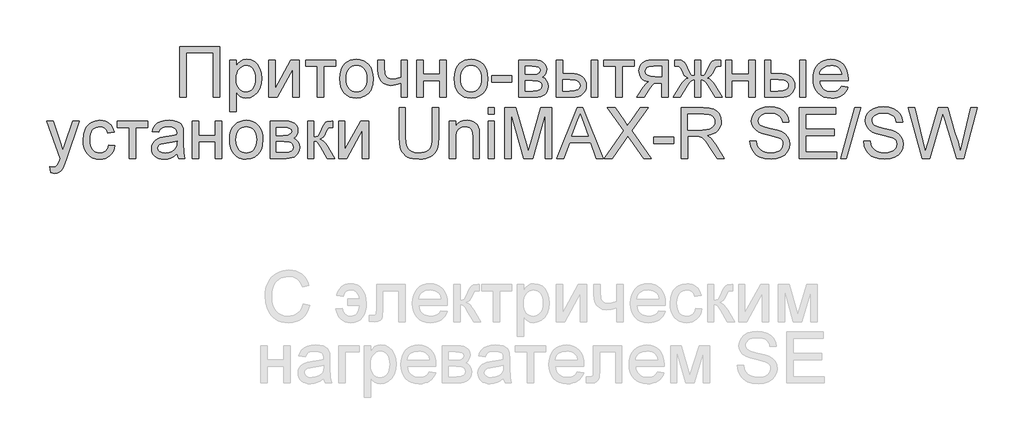
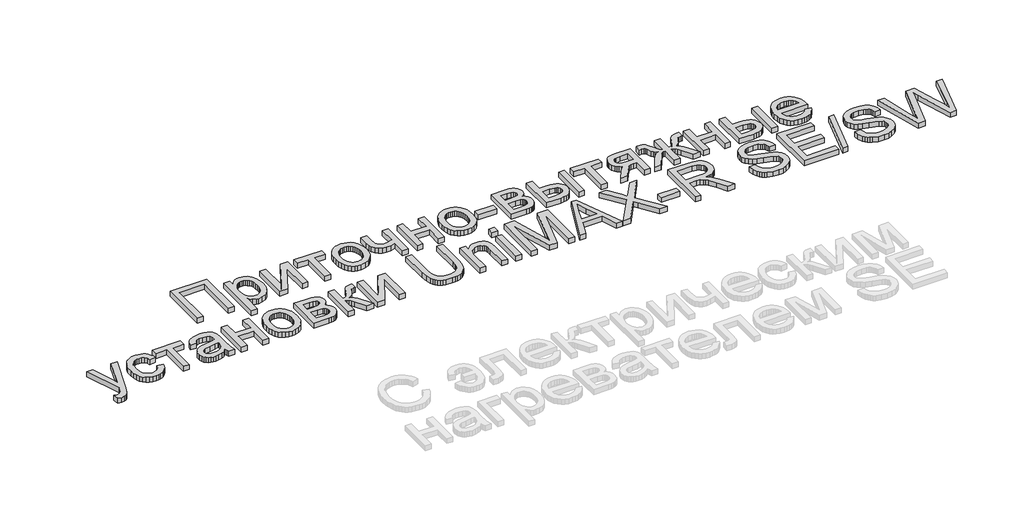
# One storey, part 54 of 74: 1 proxy.
"""IFC4 building model written with IfcOpenShell, lengths in millimetres."""

from ifc_helpers import new_model, si_unit, origin, origin_with_axes, place, context, project, spatial, polyline, outline, extrude, element, save

model = new_model("IFC4")

# Units and contexts
model_context = context("Model", 3, world=origin())
ifc_project = project(units=[si_unit("LENGTHUNIT", "METRE", prefix="MILLI")], contexts=[model_context])

# Site, building, storey
site = spatial("IfcSite", under=ifc_project)
building = spatial("IfcBuilding", under=site)
storey = spatial("IfcBuildingStorey", under=building, Elevation=0.0)

# Proxy
placement = place(None, origin())
element("IfcBuildingElementProxy", 1, Name="Generic Models", at=placement, inside=storey, context=model_context, shape_type="SweptSolid", body=[
    extrude(outline(polyline([(56366.2956204, -23404.5029647), (56717.589482, -23404.5029647), (56717.589482, -23854.1591075), (56661.3824642, -23854.1591075), (56661.3824642, -23460.7099826), (56422.5026383, -23460.7099826), (56422.5026383, -23854.1591075), (56366.2956204, -23854.1591075), (56366.2956204, -23404.5029647)])), origin_with_axes(), (0.0, 0.0, 1.0), 50.0),
    extrude(outline(polyline([(56808.925886, -23980.6248977), (56808.925886, -23523.9428777), (56865.1329039, -23523.9428777), (56865.1329039, -23579.0521022), (56883.4660523, -23551.8679952), (56903.9947873, -23532.4507759), (56927.9266816, -23520.8004443), (56956.4693079, -23516.9170004), (56994.4804015, -23522.3510774), (57027.7160942, -23538.6533081), (57054.7766995, -23564.8356787), (57074.2625308, -23599.9101752), (57086.0363642, -23641.3244281), (57089.9609753, -23686.526068), (57085.5286348, -23734.5956929), (57072.2316132, -23777.5880237), (57050.4953055, -23813.3211961), (57020.7451066, -23839.6133461), (56986.096005, -23855.7920751), (56949.6629893, -23861.1849848), (56923.8236791, -23857.5759892), (56900.756297, -23846.7490027), (56881.0097397, -23830.4056046), (56865.1329039, -23810.2473749), (56865.1329039, -23980.6248977), (56808.925886, -23980.6248977)]), holes=[polyline([(56865.1329039, -23691.6856966), (56866.6526615, -23718.7737467), (56871.2119344, -23742.0744098), (56878.8107225, -23761.5876861), (56889.4490259, -23777.3135753), (56902.255471, -23789.4167467), (56916.3586845, -23798.061869), (56931.7586664, -23803.2489425), (56948.4554167, -23804.9779669), (56965.3923092, -23803.1871916), (56981.0736006, -23797.8148655), (56995.4992909, -23788.8609888), (57008.6693801, -23776.3255613), (57019.6438827, -23760.0301918), (57027.4828131, -23739.7964887), (57032.1861713, -23715.6244521), (57033.7539574, -23687.514082), (57032.223908, -23660.6593129), (57027.6337597, -23637.399817), (57019.9835125, -23617.7355942), (57009.2731664, -23601.6666445), (56996.4358458, -23589.1792456), (56982.404675, -23580.2596749), (56967.1796539, -23574.9079324), (56950.7607826, -23573.1240183), (56934.3933704, -23575.0211424), (56918.9933885, -23580.7125146), (56904.560837, -23590.198135), (56891.0957158, -23603.4780035), (56879.7369856, -23620.3737288), (56871.6236069, -23640.7069194), (56866.7555796, -23664.4775753), (56865.1329039, -23691.6856966)])]), origin_with_axes(), (0.0, 0.0, 1.0), 50.0),
    extrude(outline(polyline([(57153.1938704, -23523.9428777), (57209.4008882, -23523.9428777), (57209.4008882, -23775.7766647), (57347.5032875, -23523.9428777), (57420.1772052, -23523.9428777), (57420.1772052, -23854.1591075), (57363.9701873, -23854.1591075), (57363.9701873, -23603.8622312), (57226.7460226, -23854.1591075), (57153.1938704, -23854.1591075), (57153.1938704, -23523.9428777)])), origin_with_axes(), (0.0, 0.0, 1.0), 50.0),
    extrude(outline(polyline([(57476.384223, -23523.9428777), (57743.3675578, -23523.9428777), (57743.3675578, -23580.1498955), (57637.9793993, -23580.1498955), (57637.9793993, -23854.1591075), (57581.7723815, -23854.1591075), (57581.7723815, -23580.1498955), (57476.384223, -23580.1498955), (57476.384223, -23523.9428777)])), origin_with_axes(), (0.0, 0.0, 1.0), 50.0),
    extrude(outline(polyline([(57778.496944, -23689.0509926), (57781.5364592, -23646.2850817), (57790.655005, -23609.4335323), (57805.8525812, -23578.4963443), (57827.1291879, -23553.4735179), (57848.54988, -23537.4800415), (57872.1936036, -23526.0561298), (57898.0603587, -23519.2017828), (57926.1501452, -23516.9170004), (57957.1593758, -23519.6992204), (57985.1977032, -23528.0458802), (58010.2651275, -23541.9569799), (58032.3616486, -23561.4325195), (58050.3963345, -23585.8138229), (58063.2782529, -23614.4422143), (58071.007404, -23647.3176935), (58073.5837877, -23684.4402607), (58069.0279454, -23741.22362), (58063.3331426, -23764.5311444), (58055.3604186, -23784.4492319), (58032.9791574, -23816.8204123), (58002.2821117, -23841.0404774), (57965.8216512, -23856.1488579), (57926.1501452, -23861.1849848), (57894.6880748, -23858.4130567), (57866.3890214, -23850.0972723), (57841.2529851, -23836.2376316), (57819.2799657, -23816.8341348), (57801.4373937, -23792.2161196), (57788.6926994, -23762.7129242), (57781.0458828, -23728.3245485), (57778.496944, -23689.0509926)]), holes=[polyline([(57834.7039618, -23688.9412133), (57836.3300682, -23716.2042242), (57841.2083872, -23739.8102111), (57849.338919, -23759.7591741), (57860.7216634, -23776.051113), (57874.5675817, -23788.7066116), (57890.0876347, -23797.7462534), (57907.2818225, -23803.1700386), (57926.1501452, -23804.9779669), (57944.9224109, -23803.1597467), (57962.0479866, -23797.7050862), (57977.5268724, -23788.6139853), (57991.3590682, -23775.886444), (58002.7418127, -23759.4332667), (58010.8723444, -23739.1652575), (58015.7506635, -23715.0824166), (58017.3767698, -23687.184744), (58015.7403717, -23660.7862453), (58010.8311772, -23637.7977671), (58002.6491864, -23618.2193094), (57991.1943992, -23602.0508722), (57977.3107444, -23589.3953736), (57961.8421504, -23580.3557318), (57944.7886173, -23574.9319467), (57926.1501452, -23573.1240183), (57907.2818225, -23574.9250854), (57890.0876347, -23580.3282869), (57874.5675817, -23589.3336227), (57860.7216634, -23601.9410929), (57849.338919, -23618.1850034), (57841.2083872, -23638.0996603), (57836.3300682, -23661.6850636), (57834.7039618, -23688.9412133)])]), origin_with_axes(), (0.0, 0.0, 1.0), 50.0),
    extrude(outline(polyline([(58115.7390511, -23523.9428777), (58171.9460689, -23523.9428777), (58171.9460689, -23587.2855521), (58176.5019112, -23646.6761706), (58184.2550765, -23663.9389705), (58198.4028879, -23678.8415148), (58217.9436089, -23689.1333271), (58241.8755033, -23692.5639312), (58276.2638789, -23688.3099821), (58319.4894908, -23675.5481348), (58319.4894908, -23523.9428777), (58375.6965086, -23523.9428777), (58375.6965086, -23854.1591075), (58319.4894908, -23854.1591075), (58319.4894908, -23729.4497867), (58271.5159228, -23743.9406585), (58226.8357348, -23748.7709491), (58192.8453092, -23743.7348222), (58163.1088327, -23728.6264417), (58139.9316713, -23706.2177356), (58125.6191909, -23679.2806321), (58118.209086, -23648.6247537), (58115.7390511, -23615.059723), (58115.7390511, -23523.9428777)])), origin_with_axes(), (0.0, 0.0, 1.0), 50.0),
    extrude(outline(polyline([(58460.0070354, -23523.9428777), (58516.2140533, -23523.9428777), (58516.2140533, -23650.4086678), (58663.7574751, -23650.4086678), (58663.7574751, -23523.9428777), (58719.964493, -23523.9428777), (58719.964493, -23854.1591075), (58663.7574751, -23854.1591075), (58663.7574751, -23706.6156857), (58516.2140533, -23706.6156857), (58516.2140533, -23854.1591075), (58460.0070354, -23854.1591075), (58460.0070354, -23523.9428777)])), origin_with_axes(), (0.0, 0.0, 1.0), 50.0),
    extrude(outline(polyline([(58790.2232653, -23689.0509926), (58793.2627806, -23646.2850817), (58802.3813263, -23609.4335323), (58817.5789025, -23578.4963443), (58838.8555093, -23553.4735179), (58860.2762014, -23537.4800415), (58883.9199249, -23526.0561298), (58909.78668, -23519.2017828), (58937.8764665, -23516.9170004), (58968.8856971, -23519.6992204), (58996.9240246, -23528.0458802), (59021.9914488, -23541.9569799), (59044.08797, -23561.4325195), (59062.1226558, -23585.8138229), (59075.0045743, -23614.4422143), (59082.7337253, -23647.3176935), (59085.310109, -23684.4402607), (59080.7542668, -23741.22362), (59075.0594639, -23764.5311444), (59067.08674, -23784.4492319), (59044.7054787, -23816.8204123), (59014.0084331, -23841.0404774), (58977.5479725, -23856.1488579), (58937.8764665, -23861.1849848), (58906.4143961, -23858.4130567), (58878.1153428, -23850.0972723), (58852.9793064, -23836.2376316), (58831.006287, -23816.8341348), (58813.163715, -23792.2161196), (58800.4190207, -23762.7129242), (58792.7722042, -23728.3245485), (58790.2232653, -23689.0509926)]), holes=[polyline([(58846.4302832, -23688.9412133), (58848.0563895, -23716.2042242), (58852.9347086, -23739.8102111), (58861.0652403, -23759.7591741), (58872.4479848, -23776.051113), (58886.293903, -23788.7066116), (58901.813956, -23797.7462534), (58919.0081439, -23803.1700386), (58937.8764665, -23804.9779669), (58956.6487322, -23803.1597467), (58973.774308, -23797.7050862), (58989.2531938, -23788.6139853), (59003.0853896, -23775.886444), (59014.468134, -23759.4332667), (59022.5986658, -23739.1652575), (59027.4769848, -23715.0824166), (59029.1030912, -23687.184744), (59027.466693, -23660.7862453), (59022.5574985, -23637.7977671), (59014.3755077, -23618.2193094), (59002.9207206, -23602.0508722), (58989.0370657, -23589.3953736), (58973.5684717, -23580.3557318), (58956.5149387, -23574.9319467), (58937.8764665, -23573.1240183), (58919.0081439, -23574.9250854), (58901.813956, -23580.3282869), (58886.293903, -23589.3336227), (58872.4479848, -23601.9410929), (58861.0652403, -23618.1850034), (58852.9347086, -23638.0996603), (58848.0563895, -23661.6850636), (58846.4302832, -23688.9412133)])]), origin_with_axes(), (0.0, 0.0, 1.0), 50.0),
    extrude(outline(polyline([(59120.4394952, -23720.6674401), (59120.4394952, -23664.4604223), (59296.086426, -23664.4604223), (59296.086426, -23720.6674401), (59120.4394952, -23720.6674401)])), origin_with_axes(), (0.0, 0.0, 1.0), 50.0),
    extrude(outline(polyline([(59359.3193211, -23523.9428777), (59483.1504073, -23523.9428777), (59522.9591374, -23525.8228487), (59551.0489239, -23531.4627619), (59571.7148831, -23542.1113571), (59589.2521314, -23559.0173742), (59601.231801, -23581.0418526), (59605.2250242, -23607.0458318), (59602.8098789, -23627.9999617), (59595.564443, -23646.0723842), (59583.4612716, -23661.3454338), (59566.4729201, -23673.9014448), (59587.2761034, -23685.5792212), (59604.2370102, -23704.3652094), (59615.5168365, -23728.7773883), (59619.2767786, -23757.333737), (59616.1549289, -23780.3393682), (59609.7534216, -23800.1751212), (59600.0722568, -23816.840996), (59587.1114344, -23830.3369926), (59570.8503709, -23840.7591679), (59551.2684826, -23848.2035788), (59528.3657695, -23852.6702254), (59502.1422317, -23854.1591075), (59359.3193211, -23854.1591075), (59359.3193211, -23523.9428777)]), holes=[polyline([(59415.5263389, -23797.9520897), (59484.4677592, -23797.9520897), (59522.0397355, -23795.4134426), (59545.614847, -23787.7975015), (59558.266915, -23773.9515833), (59563.0697608, -23752.723005), (59560.6683379, -23738.6575281), (59553.4640692, -23725.6623997), (59542.4038016, -23715.4940891), (59528.4343816, -23709.9090656), (59478.9787927, -23706.6156857), (59415.5263389, -23706.6156857), (59415.5263389, -23797.9520897)]), polyline([(59415.5263389, -23650.4086678), (59471.0746808, -23650.4086678), (59516.9075518, -23647.5544052), (59539.1927561, -23636.1373547), (59546.5616938, -23626.6963322), (59549.0180063, -23615.4988403), (59544.7091675, -23598.7300474), (59531.7826512, -23587.9442281), (59508.4270984, -23582.0984787), (59472.8311501, -23580.1498955), (59415.5263389, -23580.1498955), (59415.5263389, -23650.4086678)])]), origin_with_axes(), (0.0, 0.0, 1.0), 50.0),
    extrude(outline(polyline([(59998.6741491, -23523.9428777), (60054.881167, -23523.9428777), (60054.881167, -23854.1591075), (59998.6741491, -23854.1591075), (59998.6741491, -23523.9428777)])), origin_with_axes(), (0.0, 0.0, 1.0), 50.0),
    extrude(outline(polyline([(59689.5355509, -23523.9428777), (59745.7425688, -23523.9428777), (59745.7425688, -23643.3827906), (59815.2328858, -23643.3827906), (59847.2095468, -23645.1426905), (59875.2959027, -23650.4223903), (59899.4919535, -23659.2218898), (59919.7976993, -23671.5411892), (59935.8632184, -23686.9548935), (59947.3385891, -23705.0376078), (59954.2238116, -23725.7893321), (59956.5188857, -23749.2100664), (59954.5943168, -23770.1058761), (59948.8206101, -23789.4304691), (59939.1977656, -23807.1838454), (59925.7257832, -23823.366005), (59908.0272965, -23836.8379874), (59885.7249392, -23846.4608319), (59858.8187111, -23852.2345386), (59827.3086123, -23854.1591075), (59689.5355509, -23854.1591075), (59689.5355509, -23523.9428777)]), holes=[polyline([(59745.7425688, -23797.9520897), (59803.4864973, -23797.9520897), (59848.2490198, -23795.0017702), (59878.0266635, -23786.1508115), (59894.7405668, -23771.042431), (59900.3118679, -23749.3198457), (59896.1814205, -23730.9592525), (59883.7900785, -23714.7393562), (59873.0351346, -23708.1114291), (59857.2920923, -23703.3771954), (59810.8417125, -23699.5898085), (59745.7425688, -23699.5898085), (59745.7425688, -23797.9520897)])]), origin_with_axes(), (0.0, 0.0, 1.0), 50.0),
    extrude(outline(polyline([(60111.0881848, -23523.9428777), (60378.0715196, -23523.9428777), (60378.0715196, -23580.1498955), (60272.6833612, -23580.1498955), (60272.6833612, -23854.1591075), (60216.4763433, -23854.1591075), (60216.4763433, -23580.1498955), (60111.0881848, -23580.1498955), (60111.0881848, -23523.9428777)])), origin_with_axes(), (0.0, 0.0, 1.0), 50.0),
    extrude(outline(polyline([(60680.1842406, -23523.9428777), (60680.1842406, -23854.1591075), (60623.9772227, -23854.1591075), (60623.9772227, -23727.6933174), (60593.3487892, -23727.6933174), (60568.9228879, -23729.4772315), (60551.6326431, -23734.8289739), (60534.9736295, -23750.3901942), (60512.4414217, -23782.8025419), (60467.6514543, -23854.1591075), (60402.6620899, -23854.1591075), (60459.0886665, -23763.9204969), (60484.0085748, -23731.535594), (60495.7275184, -23722.0945715), (60506.9524551, -23717.1545015), (60486.3139407, -23712.5917981), (60468.529689, -23705.3806682), (60453.5996999, -23695.521112), (60441.5239734, -23683.0131294), (60425.5510806, -23653.2629305), (60420.226783, -23619.341117), (60422.0450032, -23599.1005527), (60427.4996637, -23580.8634612), (60436.5907647, -23564.6298425), (60449.3183059, -23550.3996966), (60465.4901737, -23538.8248383), (60484.9142542, -23530.5570824), (60507.5905475, -23525.5964289), (60533.5190534, -23523.9428777), (60680.1842406, -23523.9428777)]), holes=[polyline([(60623.9772227, -23580.1498955), (60549.8761738, -23580.1498955), (60511.6043543, -23583.4021082), (60498.6744074, -23587.4673741), (60489.881769, -23593.1587463), (60479.7957929, -23607.2791129), (60476.4338009, -23623.6225109), (60481.3875932, -23645.043203), (60496.2489703, -23659.90458), (60523.7075256, -23668.5908697), (60566.4528529, -23671.4862995), (60623.9772227, -23671.4862995), (60623.9772227, -23580.1498955)])]), origin_with_axes(), (0.0, 0.0, 1.0), 50.0),
    extrude(outline(polyline([(60968.2452071, -23523.9428777), (60968.2452071, -23664.4604223), (60988.0740989, -23661.5649924), (61001.0143376, -23652.8787028), (61032.0269988, -23592.7745187), (61051.375606, -23555.3123217), (61069.0226336, -23535.1403695), (61090.4570481, -23526.7422506), (61121.6069335, -23523.9428777), (61143.8921379, -23523.9428777), (61143.8921379, -23580.4792335), (61128.4132521, -23580.1498955), (61109.860545, -23581.6044717), (61099.4315085, -23585.9682001), (61079.3418908, -23622.4149382), (61067.1975522, -23646.8408396), (61056.0137828, -23662.374615), (61042.3325336, -23672.9957653), (61022.6957556, -23682.6837914), (61041.1867118, -23690.5947645), (61059.4443869, -23704.5573232), (61077.468781, -23724.5714676), (61095.2598939, -23750.6371977), (61157.9438923, -23854.1591075), (61093.5034246, -23854.1591075), (61031.8074402, -23752.064329), (61014.9425903, -23725.2644497), (61000.3556616, -23709.6346173), (60985.6040639, -23702.1010107), (60968.2452071, -23699.5898085), (60968.2452071, -23854.1591075), (60912.0381892, -23854.1591075), (60912.0381892, -23699.5898085), (60894.8165566, -23702.046121), (60880.037514, -23709.4150586), (60865.340806, -23724.9351117), (60848.3661768, -23751.8447704), (60786.6701924, -23854.1591075), (60722.339504, -23854.1591075), (60784.8039437, -23750.6371977), (60802.7460033, -23724.5714676), (60820.893899, -23704.5573232), (60839.2476311, -23690.5947645), (60857.8071993, -23682.6837914), (60836.34534, -23671.9254169), (60822.4582545, -23660.2888077), (60809.8336314, -23639.8424072), (60792.159159, -23602.6546585), (60784.9960576, -23590.2770389), (60777.3389492, -23583.6628341), (60753.0777169, -23579.8205575), (60736.3912584, -23580.1498955), (60736.3912584, -23523.9428777), (60744.844267, -23523.9428777), (60794.1351869, -23527.4558163), (60807.6654896, -23532.9447829), (60819.7137712, -23542.3858054), (60832.5305082, -23560.691509), (60848.3661768, -23592.7745187), (60879.0495, -23652.4944751), (60891.9897388, -23661.4689355), (60912.0381892, -23664.4604223), (60912.0381892, -23523.9428777), (60968.2452071, -23523.9428777)])), origin_with_axes(), (0.0, 0.0, 1.0), 50.0),
    extrude(outline(polyline([(61186.0474013, -23523.9428777), (61242.2544191, -23523.9428777), (61242.2544191, -23650.4086678), (61389.797841, -23650.4086678), (61389.797841, -23523.9428777), (61446.0048588, -23523.9428777), (61446.0048588, -23854.1591075), (61389.797841, -23854.1591075), (61389.797841, -23706.6156857), (61242.2544191, -23706.6156857), (61242.2544191, -23854.1591075), (61186.0474013, -23854.1591075), (61186.0474013, -23523.9428777)])), origin_with_axes(), (0.0, 0.0, 1.0), 50.0),
    extrude(outline(polyline([(61839.4539838, -23523.9428777), (61895.6610016, -23523.9428777), (61895.6610016, -23854.1591075), (61839.4539838, -23854.1591075), (61839.4539838, -23523.9428777)])), origin_with_axes(), (0.0, 0.0, 1.0), 50.0),
    extrude(outline(polyline([(61530.3153856, -23523.9428777), (61586.5224035, -23523.9428777), (61586.5224035, -23643.3827906), (61656.0127204, -23643.3827906), (61687.9893814, -23645.1426905), (61716.0757373, -23650.4223903), (61740.2717882, -23659.2218898), (61760.5775339, -23671.5411892), (61776.643053, -23686.9548935), (61788.1184238, -23705.0376078), (61795.0036462, -23725.7893321), (61797.2987204, -23749.2100664), (61795.3741515, -23770.1058761), (61789.6004448, -23789.4304691), (61779.9776002, -23807.1838454), (61766.5056178, -23823.366005), (61748.8071312, -23836.8379874), (61726.5047738, -23846.4608319), (61699.5985458, -23852.2345386), (61668.0884469, -23854.1591075), (61530.3153856, -23854.1591075), (61530.3153856, -23523.9428777)]), holes=[polyline([(61586.5224035, -23797.9520897), (61644.2663319, -23797.9520897), (61689.0288545, -23795.0017702), (61718.8064982, -23786.1508115), (61735.5204015, -23771.042431), (61741.0917025, -23749.3198457), (61736.9612552, -23730.9592525), (61724.5699131, -23714.7393562), (61713.8149692, -23708.1114291), (61698.0719269, -23703.3771954), (61651.6215472, -23699.5898085), (61586.5224035, -23699.5898085), (61586.5224035, -23797.9520897)])]), origin_with_axes(), (0.0, 0.0, 1.0), 50.0),
    extrude(outline(polyline([(62211.1668011, -23755.7968263), (62266.2760256, -23762.8227035), (62257.8264477, -23784.8952104), (62246.419689, -23804.3467358), (62232.0557495, -23821.1772796), (62214.7346293, -23835.3868418), (62194.6347198, -23846.6735294), (62171.9344124, -23854.735449), (62146.633707, -23859.5726008), (62118.7326037, -23861.1849848), (62083.8570823, -23858.4027648), (62052.7826702, -23850.056105), (62025.5093675, -23836.1450053), (62002.0371741, -23816.6694658), (61983.1619902, -23792.1715218), (61969.6797161, -23763.1932088), (61961.5903516, -23729.7345268), (61958.8938967, -23691.7954759), (61961.6177964, -23652.5699484), (61969.7894954, -23617.9963201), (61983.4089937, -23588.074591), (62002.4762914, -23562.8047611), (62025.8867339, -23542.7288658), (62052.5356667, -23528.3889406), (62082.4230898, -23519.7849855), (62115.5490031, -23516.9170004), (62147.6079986, -23519.7781243), (62176.600034, -23528.3614958), (62202.5251093, -23542.6671149), (62225.3832245, -23562.6949818), (62244.0422803, -23587.909922), (62257.3701773, -23617.7767615), (62265.3669155, -23652.2955001), (62268.0324949, -23691.4661379), (62267.7031569, -23706.6156857), (62015.1009146, -23706.6156857), (62018.3565579, -23729.0449754), (62024.8301079, -23748.6886146), (62034.5215645, -23765.5466032), (62047.4309278, -23779.6189413), (62062.8446321, -23790.713515), (62080.0491117, -23798.6382105), (62099.0443667, -23803.3930278), (62119.8303971, -23804.9779669), (62149.745265, -23802.0413698), (62174.9396216, -23793.2315784), (62195.413467, -23777.9996962), (62211.1668011, -23755.7968263)]), holes=[polyline([(62015.1009146, -23650.4086678), (62211.8254771, -23650.4086678), (62204.2232583, -23620.7133586), (62189.3207141, -23599.4710579), (62173.9927749, -23587.9442281), (62156.5515835, -23579.7107782), (62136.9971401, -23574.7707083), (62115.3294445, -23573.1240183), (62077.4418526, -23578.3797038), (62046.1135758, -23594.1467603), (62033.6570522, -23605.5466578), (62024.3361009, -23618.7236082), (62018.1507216, -23633.6776116), (62015.1009146, -23650.4086678)])]), origin_with_axes(), (0.0, 0.0, 1.0), 50.0),
    extrude(outline(polyline([(55224.5905703, -24521.0569809), (55217.5646931, -24466.9357703), (55246.1073193, -24471.8758403), (55261.1196429, -24470.3252072), (55272.7836969, -24465.673308), (55289.1408174, -24448.3830633), (55304.5099238, -24406.9962552), (55308.9010971, -24393.3836181), (55189.4611842, -24064.3749608), (55248.7420233, -24064.3749608), (55312.0846977, -24247.7064449), (55334.1503434, -24321.0390385), (55356.2159891, -24256.2692327), (55421.3151328, -24064.3749608), (55480.1568546, -24064.3749608), (55365.2178943, -24402.4953026), (55335.357916, -24475.8278962), (55320.0711441, -24499.2383387), (55302.7534545, -24515.458235), (55282.636392, -24524.9267023), (55258.9515011, -24528.0828581), (55224.5905703, -24521.0569809)])), origin_with_axes(), (0.0, 0.0, 1.0), 50.0),
    extrude(outline(polyline([(55737.4796082, -24275.1512778), (55793.6866261, -24282.177155), (55787.5732895, -24308.6991555), (55778.0156265, -24332.1679182), (55765.0136369, -24352.5834433), (55748.5673207, -24369.9457308), (55729.3696601, -24383.8019408), (55708.113637, -24393.6992337), (55684.7992514, -24399.6376094), (55659.4265033, -24401.617068), (55627.9026821, -24398.8554316), (55599.6379348, -24390.5705227), (55574.6322614, -24376.7623411), (55552.8856619, -24357.4308869), (55535.2832322, -24332.9398041), (55522.7100681, -24303.6527368), (55515.1661696, -24269.5696849), (55512.6515368, -24230.6906484), (55516.9466532, -24180.6724404), (55529.8320022, -24137.3233268), (55539.5474731, -24118.5682141), (55551.5134202, -24102.3174424), (55565.7298437, -24088.5710117), (55582.1967435, -24077.328922), (55618.9042075, -24062.3440432), (55658.658048, -24057.3490836), (55683.5951093, -24059.0643857), (55706.1513314, -24064.2102918), (55726.3267142, -24072.7868021), (55744.1212578, -24084.7939165), (55759.2330689, -24099.9571867), (55771.3602545, -24118.0021644), (55780.5028144, -24138.9288495), (55786.6607488, -24162.7372421), (55730.453731, -24169.7631193), (55720.2579755, -24145.2411611), (55704.3811397, -24127.6627456), (55683.7014581, -24117.0827625), (55659.0971653, -24113.5561015), (55639.9989922, -24115.2919871), (55622.773929, -24120.4996442), (55607.4219755, -24129.1790726), (55593.943132, -24141.3302724), (55582.9686294, -24157.2345531), (55575.129699, -24177.1732242), (55570.4263407, -24201.1462858), (55568.8585547, -24229.1537378), (55570.3920347, -24257.5831541), (55574.9924748, -24281.8340946), (55582.659875, -24301.9065593), (55593.3942353, -24317.8005482), (55606.6054918, -24329.8797053), (55621.7035805, -24338.5076746), (55638.6885015, -24343.6844562), (55657.5602547, -24345.4100501), (55686.6655, -24341.1012113), (55710.5287823, -24328.174695), (55727.8876391, -24306.3011632), (55737.4796082, -24275.1512778)])), origin_with_axes(), (0.0, 0.0, 1.0), 50.0),
    extrude(outline(polyline([(55814.7642578, -24064.3749608), (56081.7475926, -24064.3749608), (56081.7475926, -24120.5819787), (55976.3594341, -24120.5819787), (55976.3594341, -24394.5911907), (55920.1524162, -24394.5911907), (55920.1524162, -24120.5819787), (55814.7642578, -24120.5819787), (55814.7642578, -24064.3749608)])), origin_with_axes(), (0.0, 0.0, 1.0), 50.0),
    extrude(outline(polyline([(56341.7050501, -24352.4359273), (56314.8502811, -24375.4621422), (56287.1996119, -24390.5293555), (56258.1218114, -24398.8451398), (56226.9856485, -24401.617068), (56201.9593914, -24399.9497944), (56180.0138169, -24394.9479736), (56161.1489248, -24386.6116056), (56145.3647153, -24374.9406903), (56132.9013305, -24360.6762384), (56123.9989129, -24344.5592603), (56118.6574623, -24326.5897559), (56116.8769787, -24306.7677253), (56119.5665723, -24283.4670622), (56127.6353532, -24262.307096), (56140.081585, -24244.1935062), (56155.9035311, -24230.0319724), (56174.4974055, -24219.3284876), (56195.2594216, -24211.5890447), (56243.8916655, -24203.1360362), (56301.3611457, -24194.2439103), (56341.3757121, -24183.8148738), (56341.7050501, -24171.30003), (56337.8353287, -24146.2154527), (56326.2261643, -24129.8034426), (56300.2633524, -24117.6179367), (56264.0910626, -24113.5561015), (56230.6083664, -24116.2594175), (56207.2253687, -24124.3693656), (56191.2799208, -24139.3679668), (56180.1098738, -24162.7372421), (56123.9028559, -24155.7113649), (56133.6594941, -24124.973152), (56148.2189779, -24100.821699), (56168.9398268, -24082.3513264), (56197.1805599, -24068.6563548), (56231.7198821, -24060.1759014), (56271.3364985, -24057.3490836), (56309.3338697, -24059.8465634), (56339.4545738, -24067.3390028), (56362.1651731, -24078.6051067), (56377.9322296, -24092.4235801), (56388.3887109, -24109.5079886), (56395.1675847, -24130.5718979), (56397.912068, -24179.7530385), (56397.912068, -24249.6824728), (56400.7663306, -24347.3311884), (56411.9638224, -24394.5911907), (56355.7568046, -24394.5911907), (56346.7548994, -24375.0504697), (56341.7050501, -24352.4359273)]), holes=[polyline([(56341.7050501, -24240.0218916), (56303.94096, -24249.3805797), (56251.0273221, -24257.2572467), (56202.6695265, -24266.3689313), (56190.0860706, -24272.5989083), (56180.7685498, -24281.189141), (56175.0051349, -24291.4809534), (56173.0839966, -24302.8156694), (56177.2693336, -24319.5295726), (56189.8253447, -24333.2245443), (56210.4775814, -24342.3636737), (56238.9515956, -24345.4100501), (56269.1409118, -24342.0480581), (56295.8172895, -24331.962082), (56317.4438178, -24317.1007049), (56332.4835863, -24299.4125101), (56339.1526807, -24281.189141), (56341.3757121, -24255.9398947), (56341.7050501, -24240.0218916)])]), origin_with_axes(), (0.0, 0.0, 1.0), 50.0),
    extrude(outline(polyline([(56475.1967175, -24064.3749608), (56531.4037354, -24064.3749608), (56531.4037354, -24190.840751), (56678.9471572, -24190.840751), (56678.9471572, -24064.3749608), (56735.1541751, -24064.3749608), (56735.1541751, -24394.5911907), (56678.9471572, -24394.5911907), (56678.9471572, -24247.0477689), (56531.4037354, -24247.0477689), (56531.4037354, -24394.5911907), (56475.1967175, -24394.5911907), (56475.1967175, -24064.3749608)])), origin_with_axes(), (0.0, 0.0, 1.0), 50.0),
    extrude(outline(polyline([(56805.4129474, -24229.4830758), (56808.4524627, -24186.7171649), (56817.5710084, -24149.8656154), (56832.7685846, -24118.9284275), (56854.0451914, -24093.9056011), (56875.4658835, -24077.9121247), (56899.109607, -24066.488213), (56924.9763621, -24059.633866), (56953.0661486, -24057.3490836), (56984.0753792, -24060.1313036), (57012.1137067, -24068.4779634), (57037.1811309, -24082.3890631), (57059.2776521, -24101.8646026), (57077.3123379, -24126.2459061), (57090.1942564, -24154.8742975), (57097.9234074, -24187.7497767), (57100.4997911, -24224.8723439), (57095.9439489, -24281.6557032), (57090.249146, -24304.9632276), (57082.2764221, -24324.8813151), (57059.8951608, -24357.2524955), (57029.1981152, -24381.4725606), (56992.7376546, -24396.5809411), (56953.0661486, -24401.617068), (56921.6040782, -24398.8451398), (56893.3050249, -24390.5293555), (56868.1689885, -24376.6697148), (56846.1959691, -24357.2662179), (56828.3533971, -24332.6482028), (56815.6087028, -24303.1450074), (56807.9618863, -24268.7566317), (56805.4129474, -24229.4830758)]), holes=[polyline([(56861.6199653, -24229.3732965), (56863.2460716, -24256.6363074), (56868.1243907, -24280.2422943), (56876.2549224, -24300.1912572), (56887.6376669, -24316.4831962), (56901.4835851, -24329.1386948), (56917.0036381, -24338.1783366), (56934.197826, -24343.6021217), (56953.0661486, -24345.4100501), (56971.8384143, -24343.5918299), (56988.9639901, -24338.1371694), (57004.4428759, -24329.0460685), (57018.2750717, -24316.3185272), (57029.6578161, -24299.8653498), (57037.7883479, -24279.5973407), (57042.6666669, -24255.5144998), (57044.2927733, -24227.6168271), (57042.6563751, -24201.2183285), (57037.7471806, -24178.2298503), (57029.5651898, -24158.6513926), (57018.1104027, -24142.4829554), (57004.2267478, -24129.8274568), (56988.7581538, -24120.7878149), (56971.7046208, -24115.3640298), (56953.0661486, -24113.5561015), (56934.197826, -24115.3571686), (56917.0036381, -24120.7603701), (56901.4835851, -24129.7657059), (56887.6376669, -24142.373176), (56876.2549224, -24158.6170865), (56868.1243907, -24178.5317434), (56863.2460716, -24202.1171467), (56861.6199653, -24229.3732965)])]), origin_with_axes(), (0.0, 0.0, 1.0), 50.0),
    extrude(outline(polyline([(57163.7326862, -24064.3749608), (57287.5637724, -24064.3749608), (57327.3725026, -24066.2549319), (57355.4622891, -24071.8948451), (57376.1282483, -24082.5434402), (57393.6654965, -24099.4494573), (57405.6451661, -24121.4739358), (57409.6383893, -24147.477915), (57407.223244, -24168.4320449), (57399.9778081, -24186.5044674), (57387.8746368, -24201.7775169), (57370.8862852, -24214.333528), (57391.6894686, -24226.0113044), (57408.6503753, -24244.7972926), (57419.9302017, -24269.2094715), (57423.6901438, -24297.7658201), (57420.568294, -24320.7714513), (57414.1667867, -24340.6072043), (57404.4856219, -24357.2730791), (57391.5247996, -24370.7690757), (57375.2637361, -24381.191251), (57355.6818478, -24388.635662), (57332.7791347, -24393.1023085), (57306.5555968, -24394.5911907), (57163.7326862, -24394.5911907), (57163.7326862, -24064.3749608)]), holes=[polyline([(57219.9397041, -24190.840751), (57275.4880459, -24190.840751), (57321.3209169, -24187.9864884), (57343.6061213, -24176.5694379), (57350.9750589, -24167.1284154), (57353.4313715, -24155.9309235), (57349.1225327, -24139.1621306), (57336.1960164, -24128.3763113), (57312.8404635, -24122.5305618), (57277.2445152, -24120.5819787), (57219.9397041, -24120.5819787), (57219.9397041, -24190.840751)]), polyline([(57219.9397041, -24338.3841729), (57288.8811244, -24338.3841729), (57326.4531007, -24335.8455258), (57350.0282122, -24328.2295847), (57362.6802802, -24314.3836665), (57367.4831259, -24293.1550882), (57365.081703, -24279.0896113), (57357.8774344, -24266.0944829), (57346.8171667, -24255.9261723), (57332.8477468, -24250.3411488), (57283.3921578, -24247.0477689), (57219.9397041, -24247.0477689), (57219.9397041, -24338.3841729)])]), origin_with_axes(), (0.0, 0.0, 1.0), 50.0),
    extrude(outline(polyline([(57493.9489161, -24064.3749608), (57550.1559339, -24064.3749608), (57550.1559339, -24204.8925055), (57573.0174798, -24202.3675808), (57587.8102447, -24194.792807), (57600.90143, -24175.0325272), (57618.658237, -24135.9510851), (57632.9707173, -24103.9915772), (57644.2917109, -24085.1781442), (57654.8579716, -24074.9274991), (57666.9062533, -24068.6563548), (57708.018613, -24064.3749608), (57718.7769875, -24064.3749608), (57718.7769875, -24120.9113167), (57703.6274397, -24120.5819787), (57686.0627466, -24122.0639997), (57676.1826068, -24126.5100626), (57656.8614444, -24163.5056974), (57644.9915542, -24188.1648798), (57634.1920124, -24203.5202638), (57621.1145495, -24213.7709089), (57602.4108959, -24223.1158745), (57620.2225924, -24231.0268476), (57637.86962, -24244.9894064), (57655.3519786, -24265.0035508), (57672.6696682, -24291.0692809), (57732.828742, -24394.5911907), (57668.9371709, -24394.5911907), (57609.9856697, -24293.2648675), (57594.0676666, -24266.3003192), (57580.3452502, -24250.3960385), (57566.4856095, -24242.6154283), (57550.1559339, -24240.0218916), (57550.1559339, -24394.5911907), (57493.9489161, -24394.5911907), (57493.9489161, -24064.3749608)])), origin_with_axes(), (0.0, 0.0, 1.0), 50.0),
    extrude(outline(polyline([(57767.9581281, -24064.3749608), (57824.165146, -24064.3749608), (57824.165146, -24316.2087479), (57962.2675453, -24064.3749608), (58034.9414629, -24064.3749608), (58034.9414629, -24394.5911907), (57978.7344451, -24394.5911907), (57978.7344451, -24144.2943144), (57841.5102804, -24394.5911907), (57767.9581281, -24394.5911907), (57767.9581281, -24064.3749608)])), origin_with_axes(), (0.0, 0.0, 1.0), 50.0),
    extrude(outline(polyline([(58597.0116414, -23944.9350479), (58653.2186593, -23944.9350479), (58653.2186593, -24204.3436088), (58649.4038275, -24265.0927465), (58637.9593322, -24311.8724643), (58628.7996192, -24330.843705), (58616.5798073, -24347.9624196), (58601.2998966, -24363.2286079), (58582.959887, -24376.64227), (58561.5391949, -24387.5687441), (58537.0172366, -24395.3733685), (58509.3940123, -24400.0561431), (58478.6695218, -24401.617068), (58421.5979917, -24396.182991), (58397.3539124, -24389.3903949), (58375.970957, -24379.8807603), (58357.4456947, -24367.794742), (58341.7746951, -24353.2729947), (58328.9579582, -24336.3155186), (58318.9954838, -24316.9223135), (58306.1924692, -24268.1665678), (58301.9247977, -24204.3436088), (58301.9247977, -23944.9350479), (58358.1318156, -23944.9350479), (58358.1318156, -24202.3675808), (58360.9037437, -24252.8797959), (58369.2195281, -24288.0503493), (58384.2867414, -24312.4076385), (58407.3129562, -24330.480061), (58437.3376034, -24341.6775528), (58473.4001139, -24345.4100501), (58504.3784691, -24343.5643851), (58530.5677009, -24338.02739), (58551.9678094, -24328.799065), (58568.5787945, -24315.8794099), (58581.018165, -24297.7109305), (58589.9034297, -24272.7361325), (58595.2345885, -24240.955016), (58597.0116414, -24202.3675808), (58597.0116414, -23944.9350479)])), origin_with_axes(), (0.0, 0.0, 1.0), 50.0),
    extrude(outline(polyline([(58744.5550633, -24394.5911907), (58744.5550633, -24064.3749608), (58800.7620812, -24064.3749608), (58800.7620812, -24110.4822802), (58820.2890798, -24087.2365067), (58843.7406895, -24070.6323828), (58871.1169104, -24060.6699084), (58902.4177423, -24057.3490836), (58930.1233012, -24060.0249548), (58955.4960492, -24068.0525685), (58976.6560154, -24080.4301881), (58991.7232287, -24096.1560774), (59001.946429, -24115.189069), (59008.5743561, -24137.4879958), (59011.5383981, -24191.828765), (59011.5383981, -24394.5911907), (58955.3313802, -24394.5911907), (58955.3313802, -24199.4035389), (58953.7121351, -24170.3394608), (58948.8543997, -24149.6735016), (58939.8936617, -24134.8670142), (58925.965409, -24123.3813517), (58908.1125452, -24116.012414), (58887.3779739, -24113.5561015), (58854.4578968, -24119.0725129), (58826.3955551, -24135.6217471), (58815.1809103, -24149.1314662), (58807.1704496, -24167.5949775), (58802.3641733, -24191.0122812), (58800.7620812, -24219.3833773), (58800.7620812, -24394.5911907), (58744.5550633, -24394.5911907)])), origin_with_axes(), (0.0, 0.0, 1.0), 50.0),
    extrude(outline(polyline([(59088.8230476, -24394.5911907), (59088.8230476, -24064.3749608), (59145.0300655, -24064.3749608), (59145.0300655, -24394.5911907), (59088.8230476, -24394.5911907)])), origin_with_axes(), (0.0, 0.0, 1.0), 50.0),
    extrude(outline(polyline([(59088.8230476, -24001.1420658), (59088.8230476, -23944.9350479), (59145.0300655, -23944.9350479), (59145.0300655, -24001.1420658), (59088.8230476, -24001.1420658)])), origin_with_axes(), (0.0, 0.0, 1.0), 50.0),
    extrude(outline(polyline([(59236.3664695, -24394.5911907), (59236.3664695, -23944.9350479), (59333.0820608, -23944.9350479), (59425.0771408, -24261.8679786), (59443.6298478, -24328.0649157), (59463.7194655, -24256.3790121), (59554.1776349, -23944.9350479), (59650.8932262, -23944.9350479), (59650.8932262, -24394.5911907), (59594.6862083, -24394.5911907), (59594.6862083, -24001.1420658), (59481.723276, -24394.5911907), (59405.5364197, -24394.5911907), (59292.5734874, -24001.1420658), (59292.5734874, -24394.5911907), (59236.3664695, -24394.5911907)])), origin_with_axes(), (0.0, 0.0, 1.0), 50.0),
    extrude(outline(polyline([(59696.8907662, -24394.5911907), (59876.3799736, -23944.9350479), (59924.2437622, -23944.9350479), (60103.7329696, -24394.5911907), (60044.3423511, -24394.5911907), (59992.8558445, -24254.0736461), (59807.6581119, -24254.0736461), (59756.2813846, -24394.5911907), (59696.8907662, -24394.5911907)]), holes=[polyline([(59828.2966263, -24197.8666282), (59972.3271095, -24197.8666282), (59931.8185361, -24087.3188412), (59900.3118679, -24001.1420658), (59872.3181383, -24077.65826), (59828.2966263, -24197.8666282)])]), origin_with_axes(), (0.0, 0.0, 1.0), 50.0),
    extrude(outline(polyline([(60114.6011234, -24394.5911907), (60287.9426883, -24149.5637223), (60142.7046324, -23944.9350479), (60210.1091421, -23944.9350479), (60291.8947442, -24060.0935669), (60319.4493565, -24104.9933136), (60351.72448, -24059.3251116), (60432.6318475, -23944.9350479), (60501.0243712, -23944.9350479), (60355.7863153, -24150.2223983), (60529.1278801, -24394.5911907), (60461.7233704, -24394.5911907), (60346.2355134, -24231.6786624), (60322.1938398, -24197.8666282), (60295.7370208, -24234.9720424), (60182.9936471, -24394.5911907), (60114.6011234, -24394.5911907)])), origin_with_axes(), (0.0, 0.0, 1.0), 50.0),
    extrude(outline(polyline([(60550.2055118, -24261.0995233), (60550.2055118, -24204.8925055), (60725.8524426, -24204.8925055), (60725.8524426, -24261.0995233), (60550.2055118, -24261.0995233)])), origin_with_axes(), (0.0, 0.0, 1.0), 50.0),
    extrude(outline(polyline([(60796.1112149, -24394.5911907), (60796.1112149, -23944.9350479), (60989.8717354, -23944.9350479), (61041.9483059, -23947.9677019), (61079.8358978, -23957.0656641), (61107.5277342, -23973.8619018), (61129.0170384, -23999.9893828), (61142.808067, -24032.3880081), (61147.4050765, -24067.9976788), (61145.5010912, -24091.0925057), (61139.7891353, -24112.2936392), (61130.2692089, -24131.6010791), (61116.9413119, -24149.0148256), (61099.6339142, -24163.9791208), (61078.1754854, -24175.9382067), (61052.5660257, -24184.8920835), (61022.805535, -24190.840751), (61054.7513205, -24214.8824247), (61100.3097432, -24272.7361325), (61175.2890267, -24394.5911907), (61109.9703244, -24394.5911907), (61051.4579405, -24301.3885381), (61009.1928978, -24239.6925536), (60993.480731, -24221.7024656), (60979.4975886, -24210.5461411), (60952.7663213, -24199.8426562), (60920.1618598, -24197.8666282), (60852.3182328, -24197.8666282), (60852.3182328, -24394.5911907), (60796.1112149, -24394.5911907)]), holes=[polyline([(60852.3182328, -24141.6596104), (60978.1253469, -24141.6596104), (61014.2564695, -24139.66986), (61042.2913663, -24133.7006088), (61063.3964429, -24123.3539068), (61078.7381045, -24108.2318039), (61088.0830701, -24089.9398227), (61091.1980586, -24070.0834861), (61089.712607, -24055.7092548), (61085.2562523, -24042.666098), (61067.4308333, -24020.5730075), (61053.8216268, -24012.0719705), (61036.7612325, -24005.9998012), (60992.2868807, -24001.1420658), (60852.3182328, -24001.1420658), (60852.3182328, -24141.6596104)])]), origin_with_axes(), (0.0, 0.0, 1.0), 50.0),
    extrude(outline(polyline([(61400.3366568, -24240.0218916), (61456.5436747, -24240.0218916), (61462.9932104, -24271.2129443), (61474.6572644, -24296.2837992), (61492.8531886, -24316.181303), (61518.8983351, -24331.8523026), (61550.7343413, -24342.0206132), (61586.3028448, -24345.4100501), (61617.6173992, -24342.8439582), (61645.0347873, -24335.1456826), (61667.2513795, -24322.9601768), (61682.9635464, -24306.9323943), (61692.308512, -24288.5306338), (61695.4235005, -24269.2231939), (61693.0906897, -24250.4097609), (61686.0922573, -24234.1486974), (61671.8758339, -24220.2753343), (61647.8890499, -24208.6250028), (61566.0485581, -24187.1631434), (61512.3252976, -24172.9604424), (61477.9506444, -24159.4438621), (61449.9706372, -24140.5343722), (61430.1417454, -24117.6179367), (61418.3267448, -24091.1885626), (61414.3884113, -24061.7402569), (61419.2598691, -24028.8201798), (61433.8742427, -23998.1231341), (61457.8473042, -23972.1054325), (61490.7948262, -23953.2233875), (61530.3428304, -23941.7377249), (61574.117339, -23937.9091707), (61621.5420103, -23941.9161163), (61663.0385977, -23953.9369531), (61697.1250802, -23973.7246777), (61722.3194368, -24001.0322864), (61738.2648848, -24034.1581998), (61744.6046412, -24071.4008381), (61688.3976233, -24071.4008381), (61684.6376812, -24053.4656398), (61678.0783661, -24037.8632522), (61668.7196781, -24024.5936755), (61656.5616171, -24013.6569096), (61641.3777633, -24005.1078441), (61622.9416968, -23999.0013688), (61576.3129256, -23994.1161885), (61528.5863611, -23998.9464791), (61510.3424084, -24004.9843424), (61495.8446754, -24013.4373509), (61476.9077407, -24034.7619861), (61472.173507, -24046.9269083), (61470.5954291, -24060.0935669), (61475.0689369, -24081.6926504), (61488.4894602, -24099.0652297), (61520.2156871, -24114.5990051), (61580.2649815, -24130.4621186), (61642.2354143, -24145.5293318), (61679.7250561, -24158.6754068), (61711.7668986, -24179.0669177), (61734.120715, -24204.2338295), (61747.2530675, -24233.9016939), (61751.6305184, -24267.7960626), (61746.5943916, -24302.4451641), (61731.486011, -24335.0359033), (61706.9228855, -24363.0845225), (61673.5225239, -24384.1072645), (61633.3570109, -24397.2396171), (61588.4984314, -24401.617068), (61533.4303741, -24396.8965567), (61488.1052325, -24382.7350229), (61468.9658922, -24372.1001501), (61452.0015548, -24359.0775769), (61437.2122205, -24343.6673032), (61424.5978891, -24325.8693291), (61407.0057512, -24285.4156453), (61400.3366568, -24240.0218916)])), origin_with_axes(), (0.0, 0.0, 1.0), 50.0),
    extrude(outline(polyline([(61835.9410452, -24394.5911907), (61835.9410452, -23944.9350479), (62159.1313978, -23944.9350479), (62159.1313978, -24001.1420658), (61892.148063, -24001.1420658), (61892.148063, -24134.6337332), (62145.0796434, -24134.6337332), (62145.0796434, -24190.840751), (61892.148063, -24190.840751), (61892.148063, -24338.3841729), (62166.1572751, -24338.3841729), (62166.1572751, -24394.5911907), (61835.9410452, -24394.5911907)])), origin_with_axes(), (0.0, 0.0, 1.0), 50.0),
    extrude(outline(polyline([(62201.2866612, -24394.5911907), (62327.7524514, -23944.9350479), (62378.4705026, -23944.9350479), (62252.0047125, -24394.5911907), (62201.2866612, -24394.5911907)])), origin_with_axes(), (0.0, 0.0, 1.0), 50.0),
    extrude(outline(polyline([(62405.0371009, -24240.0218916), (62461.2441188, -24240.0218916), (62467.6936545, -24271.2129443), (62479.3577085, -24296.2837992), (62497.5536328, -24316.181303), (62523.5987792, -24331.8523026), (62555.4347854, -24342.0206132), (62591.0032889, -24345.4100501), (62622.3178433, -24342.8439582), (62649.7352314, -24335.1456826), (62671.9518236, -24322.9601768), (62687.6639905, -24306.9323943), (62697.0089561, -24288.5306338), (62700.1239446, -24269.2231939), (62697.7911338, -24250.4097609), (62690.7927015, -24234.1486974), (62676.576278, -24220.2753343), (62652.589494, -24208.6250028), (62570.7490022, -24187.1631434), (62517.0257417, -24172.9604424), (62482.6510885, -24159.4438621), (62454.6710813, -24140.5343722), (62434.8421895, -24117.6179367), (62423.0271889, -24091.1885626), (62419.0888554, -24061.7402569), (62423.9603132, -24028.8201798), (62438.5746868, -23998.1231341), (62462.5477483, -23972.1054325), (62495.4952703, -23953.2233875), (62535.0432745, -23941.7377249), (62578.8177831, -23937.9091707), (62626.2424544, -23941.9161163), (62667.7390418, -23953.9369531), (62701.8255243, -23973.7246777), (62727.0198809, -24001.0322864), (62742.9653289, -24034.1581998), (62749.3050853, -24071.4008381), (62693.0980674, -24071.4008381), (62689.3381253, -24053.4656398), (62682.7788102, -24037.8632522), (62673.4201222, -24024.5936755), (62661.2620612, -24013.6569096), (62646.0782074, -24005.1078441), (62627.6421409, -23999.0013688), (62581.0133697, -23994.1161885), (62533.2868052, -23998.9464791), (62515.0428525, -24004.9843424), (62500.5451195, -24013.4373509), (62481.6081848, -24034.7619861), (62476.8739511, -24046.9269083), (62475.2958732, -24060.0935669), (62479.769381, -24081.6926504), (62493.1899043, -24099.0652297), (62524.9161312, -24114.5990051), (62584.9654257, -24130.4621186), (62646.9358584, -24145.5293318), (62684.4255002, -24158.6754068), (62716.4673427, -24179.0669177), (62738.8211591, -24204.2338295), (62751.9535116, -24233.9016939), (62756.3309625, -24267.7960626), (62751.2948357, -24302.4451641), (62736.1864551, -24335.0359033), (62711.6233296, -24363.0845225), (62678.222968, -24384.1072645), (62638.057455, -24397.2396171), (62593.1988755, -24401.617068), (62538.1308182, -24396.8965567), (62492.8056767, -24382.7350229), (62473.6663363, -24372.1001501), (62456.7019989, -24359.0775769), (62441.9126646, -24343.6673032), (62429.2983332, -24325.8693291), (62411.7061953, -24285.4156453), (62405.0371009, -24240.0218916)])), origin_with_axes(), (0.0, 0.0, 1.0), 50.0),
    extrude(outline(polyline([(62921.1097394, -24394.5911907), (62798.4862259, -23944.9350479), (62856.4497131, -23944.9350479), (62927.58672, -24240.461009), (62949.5425864, -24331.6876336), (62973.0353634, -24250.9998248), (63062.1761807, -23944.9350479), (63145.7182522, -23944.9350479), (63210.4880579, -24166.7990774), (63238.234784, -24249.1335762), (63258.6811846, -24331.6876336), (63279.9783749, -24243.0957129), (63351.7740579, -23944.9350479), (63409.737545, -23944.9350479), (63287.0042521, -24394.5911907), (63226.9549577, -24394.5911907), (63119.1516539, -24047.6885024), (63104.1118855, -23999.2758171), (63087.2058684, -24057.5686423), (62988.9533665, -24394.5911907), (62921.1097394, -24394.5911907)])), origin_with_axes(), (0.0, 0.0, 1.0), 50.0),
])

save(model, "model.ifc")
